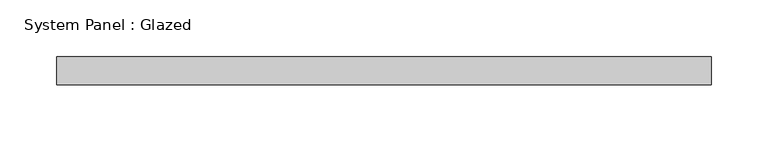
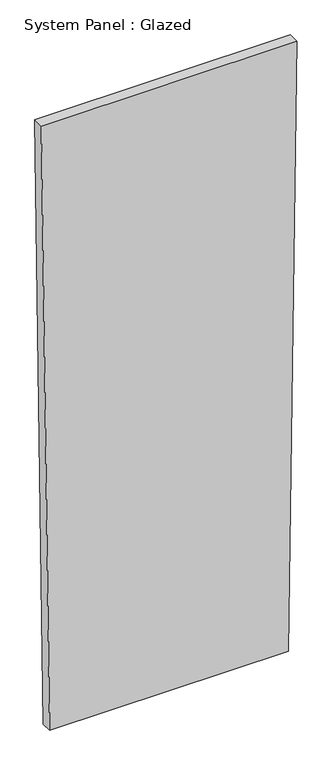
"""IFC4 building model written with IfcOpenShell, lengths in millimetres: plate geometry, System Panel : Glazed."""

from ifc_helpers import new_model, si_unit, frame, origin, place, context, project, spatial, polyline, outline, extrude, source, transform, mapped, element, save


def system_panel_glazed_b62c882b(model_context):
    return source(origin(), model_context, "Body", "SweptSolid", [
        extrude(outline(polyline([(0.0, -270.4560567), (0.0, 270.4560604), (1449.8761395, 289.0447647), (1449.8761403, -289.0447647), (0.0, -270.4560567)])), frame((0.0, -49.5, 0.0), z_axis=(0.0, 1.0, 0.0), x_axis=(0.0, 0.0, 1.0)), (0.0, 0.0, 1.0), 25.0),
    ])


if __name__ == "__main__":
    model = new_model("IFC4")
    model_context = context("Model", 3, world=origin())
    ifc_project = project(units=[si_unit("LENGTHUNIT", "METRE", prefix="MILLI")], contexts=[model_context])
    site = spatial("IfcSite", under=ifc_project)
    building = spatial("IfcBuilding", under=site)
    placement = place(None, origin())
    system_panel_glazed_shape = system_panel_glazed_b62c882b(model_context)
    element("IfcPlate", 1, ObjectType="System Panel : Glazed", at=placement, inside=building, context=model_context, shape_type="MappedRepresentation", body=[
        mapped(system_panel_glazed_shape, transform((0.0, 0.0, 0.0), x_axis=(1.0, 0.0, 0.0), y_axis=(0.0, 1.0, 0.0), z_axis=(0.0, 0.0, 1.0))),
    ])
    save(model, "model.ifc")
